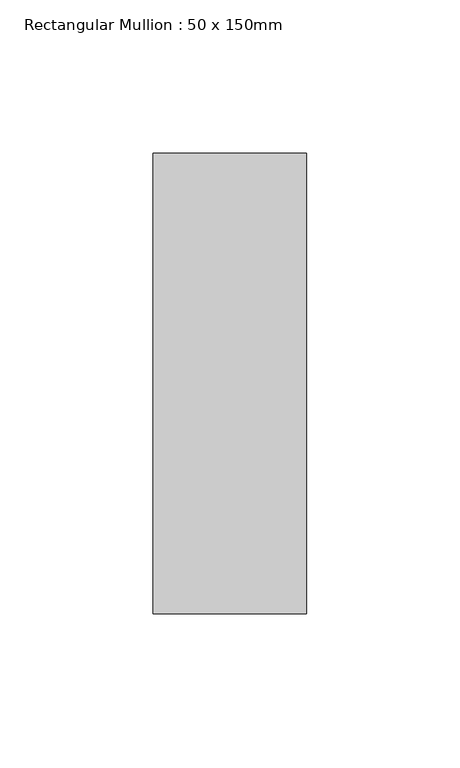
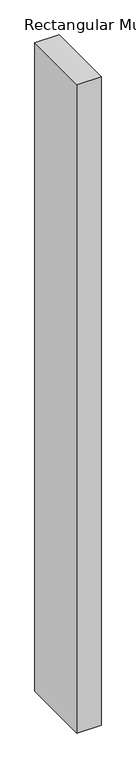
"""IFC4 building model written with IfcOpenShell, lengths in millimetres: member geometry, Rectangular Mullion : 50 x 150mm."""

from ifc_helpers import new_model, si_unit, frame, origin, place, context, project, spatial, polyline, outline, extrude, source, transform, mapped, element, save


def rectangular_mullion_50_x_150mm_052fef93(model_context):
    return source(origin(), model_context, "Body", "SweptSolid", [
        extrude(outline(polyline([(25.0, 75.0), (25.0, -75.0), (-25.0, -75.0), (-25.0, 75.0), (25.0, 75.0)])), frame((0.0, 0.0, -1416.6921642), z_axis=(0.0, 0.0, 1.0), x_axis=(1.0, 0.0, 0.0)), (0.0, 0.0, 1.0), 1416.6921642),
    ])


if __name__ == "__main__":
    model = new_model("IFC4")
    model_context = context("Model", 3, world=origin())
    ifc_project = project(units=[si_unit("LENGTHUNIT", "METRE", prefix="MILLI")], contexts=[model_context])
    site = spatial("IfcSite", under=ifc_project)
    building = spatial("IfcBuilding", under=site)
    placement = place(None, origin())
    rectangular_mullion_50_x_150mm_shape = rectangular_mullion_50_x_150mm_052fef93(model_context)
    element("IfcMember", 1, ObjectType="Rectangular Mullion : 50 x 150mm", at=placement, inside=building, context=model_context, shape_type="MappedRepresentation", body=[
        mapped(rectangular_mullion_50_x_150mm_shape, transform((0.0, 0.0, 0.0), x_axis=(1.0, 0.0, 0.0), y_axis=(0.0, 1.0, 0.0), z_axis=(0.0, 0.0, 1.0))),
    ])
    save(model, "model.ifc")
